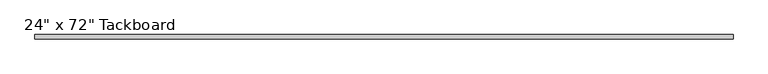
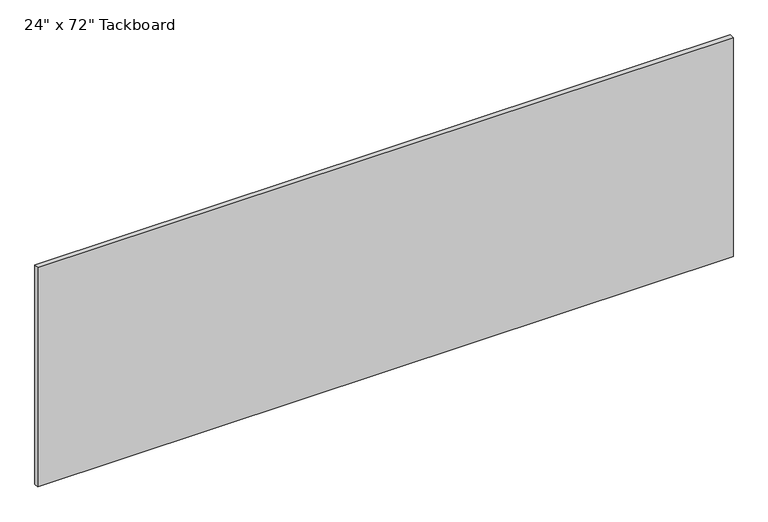
"""IFC4 building model written with IfcOpenShell, lengths in millimetres: furniture geometry."""

from ifc_helpers import new_model, si_unit, frame, origin, place, context, project, spatial, polyline, outline, extrude, source, transform, mapped, element, save


def furniture_0b61e844(model_context):
    return source(origin(), model_context, "Body", "SweptSolid", [
        extrude(outline(polyline([(1079.5, 0.0), (1079.5, -11.90625), (-749.3, -11.90625), (-749.3, 0.0), (1079.5, 0.0)])), frame((0.0, 0.0, 762.0), z_axis=(0.0, 0.0, 1.0), x_axis=(1.0, 0.0, 0.0)), (0.0, 0.0, 1.0), 609.6),
    ])


if __name__ == "__main__":
    model = new_model("IFC4")
    model_context = context("Model", 3, world=origin())
    ifc_project = project(units=[si_unit("LENGTHUNIT", "METRE", prefix="MILLI")], contexts=[model_context])
    site = spatial("IfcSite", under=ifc_project)
    building = spatial("IfcBuilding", under=site)
    placement = place(None, origin())
    furniture_shape = furniture_0b61e844(model_context)
    element("IfcFurniture", 1, ObjectType="24\" x 72\" Tackboard", at=placement, inside=building, context=model_context, shape_type="MappedRepresentation", body=[
        mapped(furniture_shape, transform((0.0, 0.0, 0.0), x_axis=(1.0, 0.0, 0.0), y_axis=(0.0, 1.0, 0.0), z_axis=(0.0, 0.0, 1.0))),
    ])
    save(model, "model.ifc")
